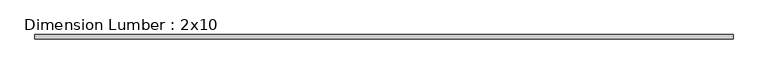
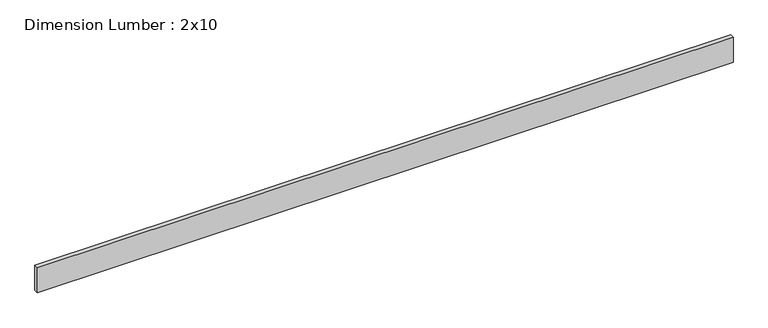
"""IFC4 building model written with IfcOpenShell, lengths in millimetres: beam geometry, Dimension Lumber : 2x10."""

from ifc_helpers import new_model, si_unit, frame, origin, place, context, project, spatial, polyline, outline, extrude, source, transform, mapped, element, save


def dimension_lumber_2x10_9d098872(model_context):
    return source(origin(), model_context, "Body", "SweptSolid", [
        extrude(outline(polyline([(3110.0593627, 19.05), (3110.0593627, -19.05), (-3110.0593627, -19.05), (-3110.0593627, 19.05), (3110.0593627, 19.05)])), frame((0.0, 0.0, -117.475), z_axis=(0.0, 0.0, 1.0), x_axis=(1.0, 0.0, 0.0)), (0.0, 0.0, 1.0), 234.95),
    ])


if __name__ == "__main__":
    model = new_model("IFC4")
    model_context = context("Model", 3, world=origin())
    ifc_project = project(units=[si_unit("LENGTHUNIT", "METRE", prefix="MILLI")], contexts=[model_context])
    site = spatial("IfcSite", under=ifc_project)
    building = spatial("IfcBuilding", under=site)
    placement = place(None, origin())
    dimension_lumber_2x10_shape = dimension_lumber_2x10_9d098872(model_context)
    element("IfcBeam", 1, ObjectType="Dimension Lumber : 2x10", at=placement, inside=building, context=model_context, shape_type="MappedRepresentation", body=[
        mapped(dimension_lumber_2x10_shape, transform((0.0, 0.0, 0.0), x_axis=(1.0, 0.0, 0.0), y_axis=(0.0, 1.0, 0.0), z_axis=(0.0, 0.0, 1.0))),
    ])
    save(model, "model.ifc")
